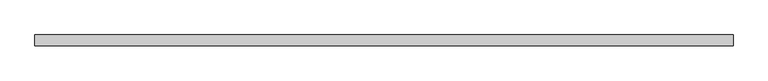
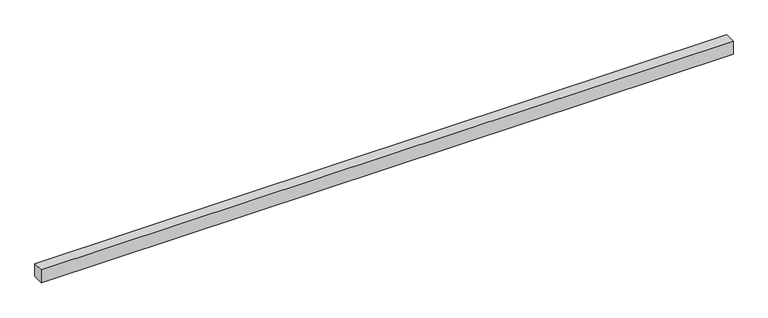
"""IFC4 building model written with IfcOpenShell, lengths in millimetres: proxy geometry."""

from ifc_helpers import new_model, si_unit, origin, origin_with_axes, place, context, project, spatial, polyline, outline, extrude, source, transform, mapped, element, save


def generic_models_45217f26(model_context):
    return source(origin(), model_context, "Body", "SweptSolid", [
        extrude(outline(polyline([(5080.0, -40.0), (0.0, -40.0), (0.0, 40.0), (5080.0, 40.0), (5080.0, -40.0)])), origin_with_axes(), (0.0, 0.0, 1.0), 100.0),
    ])


if __name__ == "__main__":
    model = new_model("IFC4")
    model_context = context("Model", 3, world=origin())
    ifc_project = project(units=[si_unit("LENGTHUNIT", "METRE", prefix="MILLI")], contexts=[model_context])
    site = spatial("IfcSite", under=ifc_project)
    building = spatial("IfcBuilding", under=site)
    placement = place(None, origin())
    generic_models_shape = generic_models_45217f26(model_context)
    element("IfcBuildingElementProxy", 1, Name="Generic Models", at=placement, inside=building, context=model_context, shape_type="MappedRepresentation", body=[
        mapped(generic_models_shape, transform((0.0, 0.0, 0.0), x_axis=(1.0, 0.0, 0.0), y_axis=(0.0, 1.0, 0.0), z_axis=(0.0, 0.0, 1.0))),
    ])
    save(model, "model.ifc")
